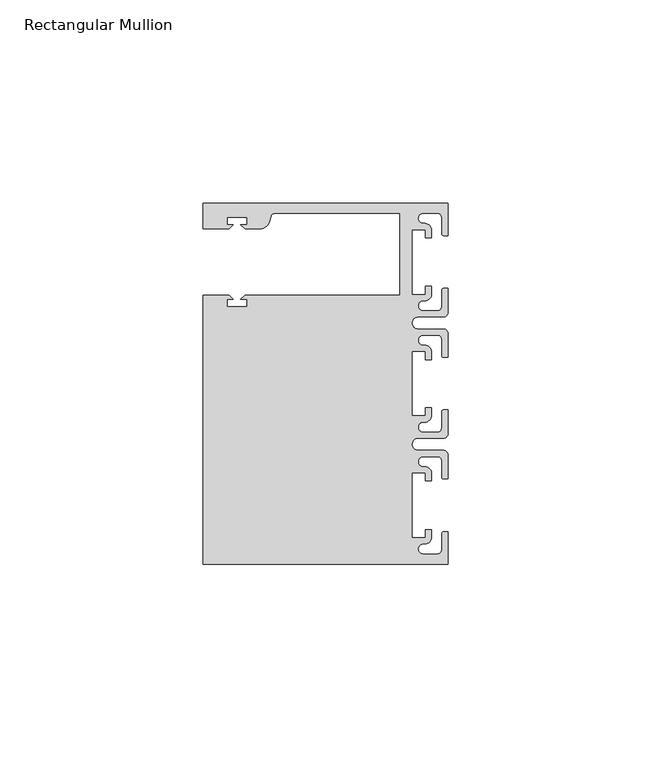
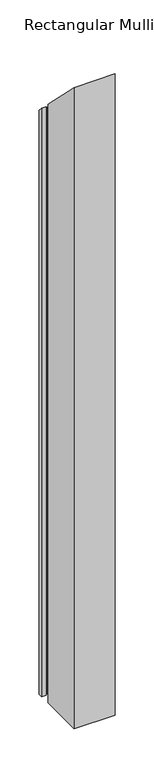
"""IFC4 building model written with IfcOpenShell, lengths in millimetres: member geometry, Rectangular Mullion."""

from ifc_helpers import new_model, si_unit, frame, origin, place, context, project, spatial, polyline, circle_curve, ellipse_curve, source, transform, mapped, element, save
from ifc_brep_helpers import plane_surface, cylinder_surface, revolved_surface, advanced_brep


def rectangular_mullion_2764931e(model_context):
    return source(origin(), model_context, "Body", "AdvancedBrep", [
        advanced_brep(
        [(0.0, 44.45, -952.5), (0.0, 36.4500318, -952.5), (-1.0, 36.4500318, -952.5), (-1.5, 36.9500318, -952.5), (-1.5, 40.95, -952.5), (-2.5, 41.95, -952.5), (-6.0499986, 41.95, -952.5), (-5.9027291, 39.4587029, -952.5), (-4.0000054, 37.7499972, -952.5), (-4.0000054, 35.9500318, -952.5), (-5.5, 35.9500318, -952.5), (-5.5, 37.9499972, -952.5), (-8.8585786, 37.9499972, -952.5), (-8.8585786, 21.9499956, -952.5), (-5.5, 21.9499956, -952.5), (-5.5, 23.9499611, -952.5), (-3.9999946, 23.9499611, -952.5), (-3.9999946, 22.0272972, -952.5), (-6.0499986, 20.4499956, -952.5), (-6.0499986, 17.9499929, -952.5), (-2.5, 17.9499929, -952.5), (-1.5, 18.9499929, -952.5), (-1.5, 22.9499611, -952.5), (-1.0, 23.4499611, -952.5), (0.0, 23.4499611, -952.5), (0.0, 17.4499929, -952.5), (-1.0, 16.4499929, -952.5), (-7.3, 16.4499929, -952.5), (-7.3046244, 13.45, -952.5), (-1.0, 13.45, -952.5), (0.0, 12.45, -952.5), (0.0, 6.4500354, -952.5), (-0.9999964, 6.4500354, -952.5), (-1.4999964, 6.9500354, -952.5), (-1.4999964, 10.95, -952.5), (-2.4999964, 11.95, -952.5), (-6.0499986, 11.95, -952.5), (-6.0499986, 9.4499972, -952.5), (-4.0000054, 7.7499972, -952.5), (-4.0000054, 5.9500318, -952.5), (-5.5, 5.9500318, -952.5), (-5.5, 7.9499972, -952.5), (-8.8, 7.9499972, -952.5), (-8.8, -7.9499972, -952.5), (-5.5, -7.9499972, -952.5), (-5.5, -5.9500318, -952.5), (-4.0000054, -5.9500318, -952.5), (-4.0000054, -7.7499972, -952.5), (-6.0499986, -9.4499972, -952.5), (-6.0499986, -11.95, -952.5), (-2.4999964, -11.95, -952.5), (-1.4999964, -10.95, -952.5), (-1.4999964, -6.9500354, -952.5), (-0.9999964, -6.4500354, -952.5), (0.0, -6.4500354, -952.5), (0.0, -12.45, -952.5), (-1.0, -13.45, -952.5), (-7.3046244, -13.45, -952.5), (-7.3, -16.4499929, -952.5), (-1.0, -16.4499929, -952.5), (0.0, -17.4499929, -952.5), (0.0, -23.4499611, -952.5), (-1.0, -23.4499611, -952.5), (-1.5, -22.9499611, -952.5), (-1.5, -18.9499929, -952.5), (-2.5, -17.9499929, -952.5), (-6.0499986, -17.9499929, -952.5), (-6.0499986, -20.4499956, -952.5), (-3.9999946, -22.0272972, -952.5), (-3.9999946, -23.9499611, -952.5), (-5.5, -23.9499611, -952.5), (-5.5, -21.9499956, -952.5), (-8.8585786, -21.9499956, -952.5), (-8.8585786, -37.9499972, -952.5), (-5.5, -37.9499972, -952.5), (-5.5, -35.9500318, -952.5), (-4.0000054, -35.9500318, -952.5), (-4.0000054, -37.7499972, -952.5), (-5.9027291, -39.4587029, -952.5), (-6.0499986, -41.95, -952.5), (-2.5, -41.95, -952.5), (-1.5, -40.95, -952.5), (-1.5, -36.9500318, -952.5), (-1.0, -36.4500318, -952.5), (0.0, -36.4500318, -952.5), (0.0, -44.45, -952.5), (-60.325, -44.45, -952.5), (-60.325, 21.749999, -952.5), (-53.8507562, 21.749999, -952.5), (-52.8507405, 20.7499834, -952.5), (-54.4250134, 20.7499834, -952.5), (-54.4250134, 18.949936, -952.5), (-49.4250186, 18.949936, -952.5), (-49.4250186, 20.7499834, -952.5), (-50.999256, 20.7499834, -952.5), (-49.9992434, 21.7499959, -952.5), (-11.8, 21.7499959, -952.5), (-11.8, 41.95, -952.5), (-42.6099329, 41.95, -952.5), (-43.5758588, 41.2088192, -952.5), (-43.8989707, 40.002949, -952.5), (-46.3137853, 38.1499966, -952.5), (-49.9992503, 38.1499966, -952.5), (-50.999256, 39.1500023, -952.5), (-49.4249831, 39.1500023, -952.5), (-49.4249831, 40.9498819, -952.5), (-54.4249778, 40.9498819, -952.5), (-54.4249778, 39.1500023, -952.5), (-52.8507405, 39.1500023, -952.5), (-53.8507531, 38.1499897, -952.5), (-60.3249977, 38.1499897, -952.5), (-60.3249977, 44.45, -952.5), (-60.3249977, 44.45, -44.45), (0.0, 44.45, -44.45), (-60.3249977, 38.1499897, -38.1499897), (-53.8507531, 38.1499897, -38.1499897), (-52.8507405, 39.1500023, -39.1500023), (-54.4249778, 39.1500023, -39.1500023), (-54.4249778, 40.9498819, -40.9498819), (-49.4249831, 40.9498819, -40.9498819), (-49.4249831, 39.1500023, -39.1500023), (-50.999256, 39.1500023, -39.1500023), (-49.9992503, 38.1499966, -38.1499966), (-46.3137853, 38.1499966, -38.1499966), (-43.8989707, 40.002949, -40.002949), (-43.5758588, 41.2088192, -41.2088192), (-42.6099329, 41.9500001, -41.9500001), (-11.8, 41.95, -41.95), (-11.8, 21.7499959, -21.7499959), (-49.9992434, 21.7499959, -21.7499959), (-50.999256, 20.7499834, -20.7499834), (-49.4250186, 20.7499834, -20.7499834), (-49.4250186, 18.949936, -18.949936), (-54.4250134, 18.949936, -18.949936), (-54.4250134, 20.7499834, -20.7499834), (-52.8507405, 20.7499834, -20.7499834), (-53.8507562, 21.749999, -21.749999), (-60.325, 21.749999, -21.749999), (-60.325, -44.45, 44.45), (0.0, -44.45, 44.45), (0.0, -36.4500318, 36.4500318), (-1.0, -36.4500318, 36.4500318), (-1.5, -36.9500318, 36.9500318), (-1.5, -40.95, 40.95), (-2.5, -41.95, 41.95), (-6.0499986, -41.95, 41.95), (-5.9027291, -39.4587029, 39.4587029), (-4.0000054, -37.7499972, 37.7499972), (-4.0000054, -35.9500318, 35.9500318), (-5.5, -35.9500318, 35.9500318), (-5.5, -37.9499972, 37.9499972), (-8.8585786, -37.9499972, 37.9499972), (-8.8585786, -21.9499956, 21.9499956), (-5.5, -21.9499956, 21.9499956), (-5.5, -23.9499611, 23.9499611), (-3.9999946, -23.9499611, 23.9499611), (-3.9999946, -22.0272972, 22.0272972), (-6.0499986, -20.4499956, 20.4499956), (-6.0499986, -17.9499929, 17.9499929), (-2.5, -17.9499929, 17.9499929), (-1.5, -18.9499929, 18.9499929), (-1.5, -22.9499611, 22.9499611), (-1.0, -23.4499611, 23.4499611), (0.0, -23.4499611, 23.4499611), (0.0, -17.4499929, 17.4499929), (-1.0, -16.4499929, 16.4499929), (-7.3, -16.4499929, 16.4499929), (-7.3046244, -13.45, 13.45), (-1.0, -13.45, 13.45), (0.0, -12.45, 12.45), (0.0, -6.4500354, 6.4500354), (-0.9999964, -6.4500354, 6.4500354), (-1.4999964, -6.9500354, 6.9500354), (-1.4999964, -10.95, 10.95), (-2.4999964, -11.95, 11.95), (-6.0499986, -11.95, 11.95), (-6.0499986, -9.4499972, 9.4499972), (-4.0000054, -7.7499972, 7.7499972), (-4.0000054, -5.9500318, 5.9500318), (-5.5, -5.9500318, 5.9500318), (-5.5, -7.9499972, 7.9499972), (-8.8, -7.9499972, 7.9499972), (-8.8, 7.9499972, -7.9499972), (-5.5, 7.9499972, -7.9499972), (-5.5, 5.9500318, -5.9500318), (-4.0000054, 5.9500318, -5.9500318), (-4.0000054, 7.7499972, -7.7499972), (-6.0499986, 9.4499972, -9.4499972), (-6.0499986, 11.95, -11.95), (-2.4999964, 11.95, -11.95), (-1.4999964, 10.95, -10.95), (-1.4999964, 6.9500354, -6.9500354), (-0.9999964, 6.4500354, -6.4500354), (0.0, 6.4500354, -6.4500354), (0.0, 12.45, -12.45), (-1.0, 13.45, -13.45), (-7.3046244, 13.45, -13.45), (-7.3, 16.4499929, -16.4499929), (-1.0, 16.4499929, -16.4499929), (0.0, 17.4499929, -17.4499929), (0.0, 23.4499611, -23.4499611), (-1.0, 23.4499611, -23.4499611), (-1.5, 22.9499611, -22.9499611), (-1.5, 18.9499929, -18.9499929), (-2.5, 17.9499929, -17.9499929), (-6.0499986, 17.9499929, -17.9499929), (-6.0499986, 20.4499956, -20.4499956), (-3.9999946, 22.0272972, -22.0272972), (-3.9999946, 23.9499611, -23.9499611), (-5.5, 23.9499611, -23.9499611), (-5.5, 21.9499956, -21.9499956), (-8.8585786, 21.9499956, -21.9499956), (-8.8585786, 37.9499972, -37.9499972), (-5.5, 37.9499972, -37.9499972), (-5.5, 35.9500318, -35.9500318), (-4.0000054, 35.9500318, -35.9500318), (-4.0000054, 37.7499972, -37.7499972), (-5.9027291, 39.4587029, -39.4587029), (-6.0499986, 41.95, -41.95), (-2.5, 41.95, -41.95), (-1.5, 40.95, -40.95), (-1.5, 36.9500318, -36.9500318), (-1.0, 36.4500318, -36.4500318), (0.0, 36.4500318, -36.4500318)],
        [
            (0, 1),
            (1, 2),
            (2, 3, circle_curve(frame((-1.0, 36.9500318, -952.5), z_axis=(0.0, 0.0, -1.0), x_axis=(0.0, -1.0, 0.0)), 0.5)),
            (3, 4),
            (4, 5, circle_curve(frame((-2.5, 40.95, -952.5), z_axis=(0.0, 0.0, 1.0), x_axis=(0.0, -1.0, 0.0)), 1.0)),
            (5, 6),
            (6, 7, circle_curve(frame((-6.0499986, 40.6999986, -952.5), z_axis=(0.0, 0.0, 1.0), x_axis=(0.0, -1.0, 0.0)), 1.2500014)),
            (7, 8, circle_curve(frame((-5.7186029, 37.7499972, -952.5), z_axis=(0.0, 0.0, -1.0), x_axis=(1.0, 0.0, 0.0)), 1.7185975)),
            (8, 9),
            (9, 10),
            (10, 11),
            (11, 12),
            (12, 13),
            (13, 14),
            (14, 15),
            (15, 16),
            (16, 17),
            (17, 18, circle_curve(frame((-5.7543344, 22.1865598, -952.5), z_axis=(0.0, 0.0, -1.0), x_axis=(1.0, 0.0, 0.0)), 1.761554)),
            (18, 19, circle_curve(frame((-6.0499986, 19.1999942, -952.5), z_axis=(0.0, 0.0, 1.0), x_axis=(0.0, -1.0, 0.0)), 1.2500014)),
            (19, 20),
            (20, 21, circle_curve(frame((-2.5, 18.9499929, -952.5), z_axis=(0.0, 0.0, 1.0), x_axis=(0.0, -1.0, 0.0)), 1.0)),
            (21, 22),
            (22, 23, circle_curve(frame((-1.0, 22.9499611, -952.5), z_axis=(0.0, 0.0, -1.0), x_axis=(0.0, -1.0, 0.0)), 0.5)),
            (23, 24),
            (24, 25),
            (25, 26, circle_curve(frame((-1.0, 17.4499929, -952.5), z_axis=(0.0, 0.0, -1.0), x_axis=(0.0, -1.0, 0.0)), 1.0)),
            (26, 27),
            (27, 28, circle_curve(frame((-7.3, 14.9499929, -952.5), z_axis=(0.0, 0.0, 1.0), x_axis=(0.0, -1.0, 0.0)), 1.5)),
            (28, 29),
            (29, 30, circle_curve(frame((-1.0, 12.45, -952.5), z_axis=(0.0, 0.0, -1.0), x_axis=(0.0, -1.0, 0.0)), 1.0)),
            (30, 31),
            (31, 32),
            (32, 33, circle_curve(frame((-0.9999964, 6.9500354, -952.5), z_axis=(0.0, 0.0, -1.0), x_axis=(0.0, -1.0, 0.0)), 0.5)),
            (33, 34),
            (34, 35, circle_curve(frame((-2.4999964, 10.95, -952.5), z_axis=(0.0, 0.0, 1.0), x_axis=(0.0, -1.0, 0.0)), 1.0)),
            (35, 36),
            (36, 37, circle_curve(frame((-6.0499986, 10.6999986, -952.5), z_axis=(0.0, 0.0, 1.0), x_axis=(0.0, -1.0, 0.0)), 1.2500014)),
            (37, 38, circle_curve(frame((-5.7298824, 7.7499972, -952.5), z_axis=(0.0, 0.0, -1.0), x_axis=(1.0, 0.0, 0.0)), 1.729877)),
            (38, 39),
            (39, 40),
            (40, 41),
            (41, 42),
            (42, 43),
            (43, 44),
            (44, 45),
            (45, 46),
            (46, 47),
            (47, 48, circle_curve(frame((-5.7298824, -7.7499972, -952.5), z_axis=(0.0, 0.0, -1.0), x_axis=(1.0, 0.0, 0.0)), 1.729877)),
            (48, 49, circle_curve(frame((-6.0499986, -10.6999986, -952.5), z_axis=(0.0, 0.0, 1.0), x_axis=(0.0, 1.0, 0.0)), 1.2500014)),
            (49, 50),
            (50, 51, circle_curve(frame((-2.4999964, -10.95, -952.5), z_axis=(0.0, 0.0, 1.0), x_axis=(0.0, 1.0, 0.0)), 1.0)),
            (51, 52),
            (52, 53, circle_curve(frame((-0.9999964, -6.9500354, -952.5), z_axis=(0.0, 0.0, -1.0), x_axis=(0.0, 1.0, 0.0)), 0.5)),
            (53, 54),
            (54, 55),
            (55, 56, circle_curve(frame((-1.0, -12.45, -952.5), z_axis=(0.0, 0.0, -1.0), x_axis=(0.0, 1.0, 0.0)), 1.0)),
            (56, 57),
            (57, 58, circle_curve(frame((-7.3, -14.9499929, -952.5), z_axis=(0.0, 0.0, 1.0), x_axis=(0.0, 1.0, 0.0)), 1.5)),
            (58, 59),
            (59, 60, circle_curve(frame((-1.0, -17.4499929, -952.5), z_axis=(0.0, 0.0, -1.0), x_axis=(0.0, 1.0, 0.0)), 1.0)),
            (60, 61),
            (61, 62),
            (62, 63, circle_curve(frame((-1.0, -22.9499611, -952.5), z_axis=(0.0, 0.0, -1.0), x_axis=(0.0, 1.0, 0.0)), 0.5)),
            (63, 64),
            (64, 65, circle_curve(frame((-2.5, -18.9499929, -952.5), z_axis=(0.0, 0.0, 1.0), x_axis=(0.0, 1.0, 0.0)), 1.0)),
            (65, 66),
            (66, 67, circle_curve(frame((-6.0499986, -19.1999942, -952.5), z_axis=(0.0, 0.0, 1.0), x_axis=(0.0, 1.0, 0.0)), 1.2500014)),
            (67, 68, circle_curve(frame((-5.7543344, -22.1865598, -952.5), z_axis=(0.0, 0.0, -1.0), x_axis=(1.0, 0.0, 0.0)), 1.761554)),
            (68, 69),
            (69, 70),
            (70, 71),
            (71, 72),
            (72, 73),
            (73, 74),
            (74, 75),
            (75, 76),
            (76, 77),
            (77, 78, circle_curve(frame((-5.7186029, -37.7499972, -952.5), z_axis=(0.0, 0.0, -1.0), x_axis=(1.0, 0.0, 0.0)), 1.7185975)),
            (78, 79, circle_curve(frame((-6.0499986, -40.6999986, -952.5), z_axis=(0.0, 0.0, 1.0), x_axis=(0.0, 1.0, 0.0)), 1.2500014)),
            (79, 80),
            (80, 81, circle_curve(frame((-2.5, -40.95, -952.5), z_axis=(0.0, 0.0, 1.0), x_axis=(0.0, 1.0, 0.0)), 1.0)),
            (81, 82),
            (82, 83, circle_curve(frame((-1.0, -36.9500318, -952.5), z_axis=(0.0, 0.0, -1.0), x_axis=(0.0, 1.0, 0.0)), 0.5)),
            (83, 84),
            (84, 85),
            (85, 86),
            (86, 87),
            (87, 88),
            (88, 89),
            (89, 90),
            (90, 91),
            (91, 92),
            (92, 93),
            (93, 94),
            (94, 95),
            (95, 96),
            (96, 97),
            (97, 98),
            (98, 99, circle_curve(frame((-42.6099329, 40.9500001, -952.5), z_axis=(0.0, 0.0, 1.0), x_axis=(0.0, -1.0, 0.0)), 1.0)),
            (99, 100),
            (100, 101, circle_curve(frame((-46.3137853, 40.6499966, -952.5), z_axis=(0.0, 0.0, -1.0), x_axis=(0.0, -1.0, 0.0)), 2.5)),
            (101, 102),
            (102, 103),
            (103, 104),
            (104, 105),
            (105, 106),
            (106, 107),
            (107, 108),
            (108, 109),
            (109, 110),
            (110, 111),
            (111, 0),
            (112, 113),
            (113, 0),
            (111, 112),
            (114, 112),
            (110, 114),
            (115, 114),
            (109, 115),
            (116, 115),
            (108, 116),
            (117, 116),
            (107, 117),
            (118, 117),
            (106, 118),
            (119, 118),
            (105, 119),
            (120, 119),
            (104, 120),
            (121, 120),
            (103, 121),
            (122, 121),
            (102, 122),
            (123, 122),
            (101, 123),
            (124, 123, ellipse_curve(frame((-46.3137853, 40.6499966, -40.6499966), z_axis=(0.0, -0.7071067811865475, -0.7071067811865476), x_axis=(0.0, -0.7071067811865476, 0.7071067811865475)), 3.5355339, 2.5)),
            (100, 124),
            (125, 124),
            (99, 125),
            (126, 125, ellipse_curve(frame((-42.6099329, 40.9500001, -40.9500001), z_axis=(0.0, 0.7071067811865475, 0.7071067811865476), x_axis=(0.0, 0.7071067811865476, -0.7071067811865475)), 1.4142136, 1.0)),
            (98, 126),
            (127, 126),
            (97, 127),
            (128, 127),
            (96, 128),
            (129, 128),
            (95, 129),
            (130, 129),
            (94, 130),
            (131, 130),
            (93, 131),
            (132, 131),
            (92, 132),
            (133, 132),
            (91, 133),
            (134, 133),
            (90, 134),
            (135, 134),
            (89, 135),
            (136, 135),
            (88, 136),
            (137, 136),
            (87, 137),
            (138, 137),
            (86, 138),
            (139, 138),
            (85, 139),
            (140, 139),
            (84, 140),
            (141, 140),
            (83, 141),
            (142, 141, ellipse_curve(frame((-1.0, -36.9500318, 36.9500318), z_axis=(0.0, -0.7071067811865475, -0.7071067811865476), x_axis=(0.0, -0.7071067811865476, 0.7071067811865475)), 0.7071068, 0.5)),
            (82, 142),
            (143, 142),
            (81, 143),
            (144, 143, ellipse_curve(frame((-2.5, -40.95, 40.95), z_axis=(0.0, 0.7071067811865475, 0.7071067811865476), x_axis=(0.0, 0.7071067811865476, -0.7071067811865475)), 1.4142136, 1.0)),
            (80, 144),
            (145, 144),
            (79, 145),
            (146, 145, ellipse_curve(frame((-6.0499986, -40.6999986, 40.6999986), z_axis=(0.0, 0.7071067811865475, 0.7071067811865476), x_axis=(0.0, 0.7071067811865476, -0.7071067811865475)), 1.7677689, 1.2500014)),
            (78, 146),
            (147, 146, ellipse_curve(frame((-5.7186029, -37.7499972, 37.7499972), z_axis=(0.0, -0.7071067811865475, -0.7071067811865476), x_axis=(0.0, -0.7071067811865476, 0.7071067811865475)), 2.4304639, 1.7185975)),
            (77, 147),
            (148, 147),
            (76, 148),
            (149, 148),
            (75, 149),
            (150, 149),
            (74, 150),
            (151, 150),
            (73, 151),
            (152, 151),
            (72, 152),
            (153, 152),
            (71, 153),
            (154, 153),
            (70, 154),
            (155, 154),
            (69, 155),
            (156, 155),
            (68, 156),
            (157, 156, ellipse_curve(frame((-5.7543344, -22.1865598, 22.1865598), z_axis=(0.0, -0.7071067811865475, -0.7071067811865476), x_axis=(0.0, -0.7071067811865476, 0.7071067811865475)), 2.4912135, 1.761554)),
            (67, 157),
            (158, 157, ellipse_curve(frame((-6.0499986, -19.1999942, 19.1999942), z_axis=(0.0, 0.7071067811865475, 0.7071067811865476), x_axis=(0.0, 0.7071067811865476, -0.7071067811865475)), 1.7677689, 1.2500014)),
            (66, 158),
            (159, 158),
            (65, 159),
            (160, 159, ellipse_curve(frame((-2.5, -18.9499929, 18.9499929), z_axis=(0.0, 0.7071067811865475, 0.7071067811865476), x_axis=(0.0, 0.7071067811865476, -0.7071067811865475)), 1.4142136, 1.0)),
            (64, 160),
            (161, 160),
            (63, 161),
            (162, 161, ellipse_curve(frame((-1.0, -22.9499611, 22.9499611), z_axis=(0.0, -0.7071067811865475, -0.7071067811865476), x_axis=(0.0, -0.7071067811865476, 0.7071067811865475)), 0.7071068, 0.5)),
            (62, 162),
            (163, 162),
            (61, 163),
            (164, 163),
            (60, 164),
            (165, 164, ellipse_curve(frame((-1.0, -17.4499929, 17.4499929), z_axis=(0.0, -0.7071067811865475, -0.7071067811865476), x_axis=(0.0, -0.7071067811865476, 0.7071067811865475)), 1.4142136, 1.0)),
            (59, 165),
            (166, 165),
            (58, 166),
            (167, 166, ellipse_curve(frame((-7.3, -14.9499929, 14.9499929), z_axis=(0.0, 0.7071067811865475, 0.7071067811865476), x_axis=(0.0, 0.7071067811865476, -0.7071067811865475)), 2.1213203, 1.5)),
            (57, 167),
            (168, 167),
            (56, 168),
            (169, 168, ellipse_curve(frame((-1.0, -12.45, 12.45), z_axis=(0.0, -0.7071067811865475, -0.7071067811865476), x_axis=(0.0, -0.7071067811865476, 0.7071067811865475)), 1.4142136, 1.0)),
            (55, 169),
            (170, 169),
            (54, 170),
            (171, 170),
            (53, 171),
            (172, 171, ellipse_curve(frame((-0.9999964, -6.9500354, 6.9500354), z_axis=(0.0, -0.7071067811865475, -0.7071067811865476), x_axis=(0.0, -0.7071067811865476, 0.7071067811865475)), 0.7071068, 0.5)),
            (52, 172),
            (173, 172),
            (51, 173),
            (174, 173, ellipse_curve(frame((-2.4999964, -10.95, 10.95), z_axis=(0.0, 0.7071067811865475, 0.7071067811865476), x_axis=(0.0, 0.7071067811865476, -0.7071067811865475)), 1.4142136, 1.0)),
            (50, 174),
            (175, 174),
            (49, 175),
            (176, 175, ellipse_curve(frame((-6.0499986, -10.6999986, 10.6999986), z_axis=(0.0, 0.7071067811865475, 0.7071067811865476), x_axis=(0.0, 0.7071067811865476, -0.7071067811865475)), 1.7677689, 1.2500014)),
            (48, 176),
            (177, 176, ellipse_curve(frame((-5.7298824, -7.7499972, 7.7499972), z_axis=(0.0, -0.7071067811865475, -0.7071067811865476), x_axis=(0.0, -0.7071067811865476, 0.7071067811865475)), 2.4464155, 1.729877)),
            (47, 177),
            (178, 177),
            (46, 178),
            (179, 178),
            (45, 179),
            (180, 179),
            (44, 180),
            (181, 180),
            (43, 181),
            (182, 181),
            (42, 182),
            (183, 182),
            (41, 183),
            (184, 183),
            (40, 184),
            (185, 184),
            (39, 185),
            (186, 185),
            (38, 186),
            (187, 186, ellipse_curve(frame((-5.7298824, 7.7499972, -7.7499972), z_axis=(0.0, -0.7071067811865475, -0.7071067811865476), x_axis=(0.0, -0.7071067811865476, 0.7071067811865475)), 2.4464155, 1.729877)),
            (37, 187),
            (188, 187, ellipse_curve(frame((-6.0499986, 10.6999986, -10.6999986), z_axis=(0.0, 0.7071067811865475, 0.7071067811865476), x_axis=(0.0, 0.7071067811865476, -0.7071067811865475)), 1.7677689, 1.2500014)),
            (36, 188),
            (189, 188),
            (35, 189),
            (190, 189, ellipse_curve(frame((-2.4999964, 10.95, -10.95), z_axis=(0.0, 0.7071067811865475, 0.7071067811865476), x_axis=(0.0, 0.7071067811865476, -0.7071067811865475)), 1.4142136, 1.0)),
            (34, 190),
            (191, 190),
            (33, 191),
            (192, 191, ellipse_curve(frame((-0.9999964, 6.9500354, -6.9500354), z_axis=(0.0, -0.7071067811865475, -0.7071067811865476), x_axis=(0.0, -0.7071067811865476, 0.7071067811865475)), 0.7071068, 0.5)),
            (32, 192),
            (193, 192),
            (31, 193),
            (194, 193),
            (30, 194),
            (195, 194, ellipse_curve(frame((-1.0, 12.45, -12.45), z_axis=(0.0, -0.7071067811865475, -0.7071067811865476), x_axis=(0.0, -0.7071067811865476, 0.7071067811865475)), 1.4142136, 1.0)),
            (29, 195),
            (196, 195),
            (28, 196),
            (197, 196, ellipse_curve(frame((-7.3, 14.9499929, -14.9499929), z_axis=(0.0, 0.7071067811865475, 0.7071067811865476), x_axis=(0.0, 0.7071067811865476, -0.7071067811865475)), 2.1213203, 1.5)),
            (27, 197),
            (198, 197),
            (26, 198),
            (199, 198, ellipse_curve(frame((-1.0, 17.4499929, -17.4499929), z_axis=(0.0, -0.7071067811865475, -0.7071067811865476), x_axis=(0.0, -0.7071067811865476, 0.7071067811865475)), 1.4142136, 1.0)),
            (25, 199),
            (200, 199),
            (24, 200),
            (201, 200),
            (23, 201),
            (202, 201, ellipse_curve(frame((-1.0, 22.9499611, -22.9499611), z_axis=(0.0, -0.7071067811865475, -0.7071067811865476), x_axis=(0.0, -0.7071067811865476, 0.7071067811865475)), 0.7071068, 0.5)),
            (22, 202),
            (203, 202),
            (21, 203),
            (204, 203, ellipse_curve(frame((-2.5, 18.9499929, -18.9499929), z_axis=(0.0, 0.7071067811865475, 0.7071067811865476), x_axis=(0.0, 0.7071067811865476, -0.7071067811865475)), 1.4142136, 1.0)),
            (20, 204),
            (205, 204),
            (19, 205),
            (206, 205, ellipse_curve(frame((-6.0499986, 19.1999942, -19.1999942), z_axis=(0.0, 0.7071067811865475, 0.7071067811865476), x_axis=(0.0, 0.7071067811865476, -0.7071067811865475)), 1.7677689, 1.2500014)),
            (18, 206),
            (207, 206, ellipse_curve(frame((-5.7543344, 22.1865598, -22.1865598), z_axis=(0.0, -0.7071067811865475, -0.7071067811865476), x_axis=(0.0, -0.7071067811865476, 0.7071067811865475)), 2.4912135, 1.761554)),
            (17, 207),
            (208, 207),
            (16, 208),
            (209, 208),
            (15, 209),
            (210, 209),
            (14, 210),
            (211, 210),
            (13, 211),
            (212, 211),
            (12, 212),
            (213, 212),
            (11, 213),
            (214, 213),
            (10, 214),
            (215, 214),
            (9, 215),
            (216, 215),
            (8, 216),
            (217, 216, ellipse_curve(frame((-5.7186029, 37.7499972, -37.7499972), z_axis=(0.0, -0.7071067811865475, -0.7071067811865476), x_axis=(0.0, -0.7071067811865476, 0.7071067811865475)), 2.4304639, 1.7185975)),
            (7, 217),
            (218, 217, ellipse_curve(frame((-6.0499986, 40.6999986, -40.6999986), z_axis=(0.0, 0.7071067811865475, 0.7071067811865476), x_axis=(0.0, 0.7071067811865476, -0.7071067811865475)), 1.7677689, 1.2500014)),
            (6, 218),
            (219, 218),
            (5, 219),
            (220, 219, ellipse_curve(frame((-2.5, 40.95, -40.95), z_axis=(0.0, 0.7071067811865475, 0.7071067811865476), x_axis=(0.0, 0.7071067811865476, -0.7071067811865475)), 1.4142136, 1.0)),
            (4, 220),
            (221, 220),
            (3, 221),
            (222, 221, ellipse_curve(frame((-1.0, 36.9500318, -36.9500318), z_axis=(0.0, -0.7071067811865475, -0.7071067811865476), x_axis=(0.0, -0.7071067811865476, 0.7071067811865475)), 0.7071068, 0.5)),
            (2, 222),
            (223, 222),
            (1, 223),
            (113, 223),
        ],
        [
            plane_surface(frame((0.0, -74.9326906, -952.5), z_axis=(0.0, 0.0, -1.0), x_axis=(-1.0, 0.0, 0.0))),
            plane_surface(frame((0.0, 44.45, 0.0), z_axis=(0.0, 1.0, 0.0), x_axis=(0.0, 0.0, -1.0))),
            plane_surface(frame((-60.3249977, 44.45, 0.0), z_axis=(-1.0, 0.0, 0.0), x_axis=(0.0, 0.0, -1.0))),
            plane_surface(frame((-60.3249977, 38.1499897, 0.0), z_axis=(0.0, -1.0, 0.0), x_axis=(0.0, 0.0, -1.0))),
            plane_surface(frame((-53.8507531, 38.1499897, 0.0), z_axis=(0.7071067811865492, -0.7071067811865459, 0.0), x_axis=(0.0, 0.0, -1.0))),
            plane_surface(frame((-52.8507405, 39.1500023, 0.0), z_axis=(0.0, 1.0, 0.0), x_axis=(0.0, 0.0, -1.0))),
            plane_surface(frame((-54.4249778, 39.1500023, 0.0), z_axis=(1.0, 0.0, 0.0), x_axis=(0.0, 0.0, -1.0))),
            plane_surface(frame((-54.4249778, 40.9498819, 0.0), z_axis=(0.0, -1.0, 0.0), x_axis=(0.0, 0.0, -1.0))),
            plane_surface(frame((-49.4249831, 40.9498819, 0.0), z_axis=(-1.0, 0.0, 0.0), x_axis=(0.0, 0.0, -1.0))),
            plane_surface(frame((-49.4249831, 39.1500023, 0.0), z_axis=(0.0, 1.0, 0.0), x_axis=(0.0, 0.0, -1.0))),
            plane_surface(frame((-50.999256, 39.1500023, 0.0), z_axis=(-0.7071067811865469, -0.7071067811865481, 0.0), x_axis=(0.0, 0.0, -1.0))),
            plane_surface(frame((-49.9992503, 38.1499966, 0.0), z_axis=(0.0, -1.0, 0.0), x_axis=(0.0, 0.0, -1.0))),
            cylinder_surface(frame((-46.3137853, 40.6499966, 0.0), z_axis=(0.0, 0.0, 1.0), x_axis=(0.0, -1.0, 0.0)), 2.5),
            plane_surface(frame((-43.8989707, 40.002949, 0.0), z_axis=(0.965925826289163, -0.2588190451021675, 0.0), x_axis=(0.0, 0.0, -1.0))),
            revolved_surface(polyline([(-42.6099329, 39.9500001, -952.5), (-42.6099329, 39.9500001, -39.95000007339376)]), (-42.6099329, 40.9500001, 0.0), (0.0, 0.0, -1.0)),
            plane_surface(frame((-42.6099329, 41.95, 0.0), z_axis=(0.0, -1.0, 0.0), x_axis=(0.0, 0.0, -1.0))),
            plane_surface(frame((-11.8, 41.95, 0.0), z_axis=(-1.0, 0.0, 0.0), x_axis=(0.0, 0.0, -1.0))),
            plane_surface(frame((-11.8, 21.7499959, 0.0), z_axis=(0.0, 1.0, 0.0), x_axis=(0.0, 0.0, -1.0))),
            plane_surface(frame((-49.9992434, 21.7499959, 0.0), z_axis=(-0.7071067811865492, 0.7071067811865459, 0.0), x_axis=(0.0, 0.0, -1.0))),
            plane_surface(frame((-50.999256, 20.7499834, 0.0), z_axis=(0.0, -1.0, 0.0), x_axis=(0.0, 0.0, -1.0))),
            plane_surface(frame((-49.4250186, 20.7499834, 0.0), z_axis=(-1.0, 0.0, 0.0), x_axis=(0.0, 0.0, -1.0))),
            plane_surface(frame((-49.4250186, 18.949936, 0.0), z_axis=(0.0, 1.0, 0.0), x_axis=(0.0, 0.0, -1.0))),
            plane_surface(frame((-54.4250134, 18.949936, 0.0), z_axis=(1.0, 0.0, 0.0), x_axis=(0.0, 0.0, -1.0))),
            plane_surface(frame((-54.4250134, 20.7499834, 0.0), z_axis=(0.0, -1.0, 0.0), x_axis=(0.0, 0.0, -1.0))),
            plane_surface(frame((-52.8507405, 20.7499834, 0.0), z_axis=(0.7071067811865472, 0.7071067811865479, 0.0), x_axis=(0.0, 0.0, -1.0))),
            plane_surface(frame((-53.8507562, 21.749999, 0.0), z_axis=(0.0, 1.0, 0.0), x_axis=(0.0, 0.0, -1.0))),
            plane_surface(frame((-60.325, 21.749999, 0.0), z_axis=(-1.0, 0.0, 0.0), x_axis=(0.0, 0.0, -1.0))),
            plane_surface(frame((-60.325, -44.45, 0.0), z_axis=(0.0, -1.0, 0.0), x_axis=(0.0, 0.0, -1.0))),
            plane_surface(frame((0.0, -44.45, 0.0), z_axis=(1.0, 0.0, 0.0), x_axis=(0.0, 0.0, -1.0))),
            plane_surface(frame((0.0, -36.4500318, 0.0), z_axis=(0.0, 1.0, 0.0), x_axis=(0.0, 0.0, -1.0))),
            cylinder_surface(frame((-1.0, -36.9500318, 0.0), z_axis=(0.0, 0.0, 1.0), x_axis=(0.0, 1.0, 0.0)), 0.5),
            plane_surface(frame((-1.5, -36.9500318, 0.0), z_axis=(-1.0, 0.0, 0.0), x_axis=(0.0, 0.0, -1.0))),
            revolved_surface(polyline([(-2.5, -39.95, -952.5), (-2.5, -39.95, 41.95000002660624)]), (-2.5, -40.95, 0.0), (0.0, 0.0, -1.0)),
            plane_surface(frame((-2.5, -41.95, 0.0), z_axis=(0.0, 1.0, 0.0), x_axis=(0.0, 0.0, -1.0))),
            revolved_surface(polyline([(-6.0499986, -39.4499972, -952.5), (-6.0499986, -39.4499972, 41.95)]), (-6.0499986, -40.6999986, 0.0), (0.0, 0.0, -1.0)),
            cylinder_surface(frame((-5.7186029, -37.7499972, 0.0), z_axis=(0.0, 0.0, 1.0), x_axis=(1.0, 0.0, 0.0)), 1.7185975),
            plane_surface(frame((-4.0000054, -37.7499972, 0.0), z_axis=(1.0, 0.0, 0.0), x_axis=(0.0, 0.0, -1.0))),
            plane_surface(frame((-4.0000054, -35.9500318, 0.0), z_axis=(0.0, 1.0, 0.0), x_axis=(0.0, 0.0, -1.0))),
            plane_surface(frame((-5.5, -35.9500318, 0.0), z_axis=(-1.0, 0.0, 0.0), x_axis=(0.0, 0.0, -1.0))),
            plane_surface(frame((-5.5, -37.9499972, 0.0), z_axis=(0.0, 1.0, 0.0), x_axis=(0.0, 0.0, -1.0))),
            plane_surface(frame((-8.8585786, -37.9499972, 0.0), z_axis=(1.0, 0.0, 0.0), x_axis=(0.0, 0.0, -1.0))),
            plane_surface(frame((-8.8585786, -21.9499956, 0.0), z_axis=(0.0, -1.0, 0.0), x_axis=(0.0, 0.0, -1.0))),
            plane_surface(frame((-5.5, -21.9499956, 0.0), z_axis=(-1.0, 0.0, 0.0), x_axis=(0.0, 0.0, -1.0))),
            plane_surface(frame((-5.5, -23.9499611, 0.0), z_axis=(0.0, -1.0, 0.0), x_axis=(0.0, 0.0, -1.0))),
            plane_surface(frame((-3.9999946, -23.9499611, 0.0), z_axis=(1.0, 0.0, 0.0), x_axis=(0.0, 0.0, -1.0))),
            cylinder_surface(frame((-5.7543344, -22.1865598, 0.0), z_axis=(0.0, 0.0, 1.0), x_axis=(1.0, 0.0, 0.0)), 1.761554),
            revolved_surface(polyline([(-6.0499986, -17.9499928, -952.5), (-6.0499986, -17.9499928, 20.4499956)]), (-6.0499986, -19.1999942, 0.0), (0.0, 0.0, -1.0)),
            plane_surface(frame((-6.0499986, -17.9499929, 0.0), z_axis=(0.0, -1.0, 0.0), x_axis=(0.0, 0.0, -1.0))),
            revolved_surface(polyline([(-2.5, -17.9499929, -952.5), (-2.5, -17.9499929, 19.949992926606242)]), (-2.5, -18.9499929, 0.0), (0.0, 0.0, -1.0)),
            plane_surface(frame((-1.5, -18.9499929, 0.0), z_axis=(-1.0, 0.0, 0.0), x_axis=(0.0, 0.0, -1.0))),
            cylinder_surface(frame((-1.0, -22.9499611, 0.0), z_axis=(0.0, 0.0, 1.0), x_axis=(0.0, 1.0, 0.0)), 0.5),
            plane_surface(frame((-1.0, -23.4499611, 0.0), z_axis=(0.0, -1.0, 0.0), x_axis=(0.0, 0.0, -1.0))),
            plane_surface(frame((0.0, -23.4499611, 0.0), z_axis=(1.0, 0.0, 0.0), x_axis=(0.0, 0.0, -1.0))),
            cylinder_surface(frame((-1.0, -17.4499929, 0.0), z_axis=(0.0, 0.0, 1.0), x_axis=(0.0, 1.0, 0.0)), 1.0),
            plane_surface(frame((-1.0, -16.4499929, 0.0), z_axis=(0.0, 1.0, 0.0), x_axis=(0.0, 0.0, -1.0))),
            revolved_surface(polyline([(-7.3, -13.4499929, -952.5), (-7.3, -13.4499929, 16.4499929)]), (-7.3, -14.9499929, 0.0), (0.0, 0.0, -1.0)),
            plane_surface(frame((-7.3046244, -13.45, 0.0), z_axis=(0.0, -1.0, 0.0), x_axis=(0.0, 0.0, -1.0))),
            cylinder_surface(frame((-1.0, -12.45, 0.0), z_axis=(0.0, 0.0, 1.0), x_axis=(0.0, 1.0, 0.0)), 1.0),
            plane_surface(frame((0.0, -12.45, 0.0), z_axis=(1.0, 0.0, 0.0), x_axis=(0.0, 0.0, -1.0))),
            plane_surface(frame((0.0, -6.4500354, 0.0), z_axis=(0.0, 1.0, 0.0), x_axis=(0.0, 0.0, -1.0))),
            cylinder_surface(frame((-0.9999964, -6.9500354, 0.0), z_axis=(0.0, 0.0, 1.0), x_axis=(0.0, 1.0, 0.0)), 0.5),
            plane_surface(frame((-1.4999964, -6.9500354, 0.0), z_axis=(-1.0, 0.0, 0.0), x_axis=(0.0, 0.0, -1.0))),
            revolved_surface(polyline([(-2.4999964, -9.95, -952.5), (-2.4999964, -9.95, 11.950000026606238)]), (-2.4999964, -10.95, 0.0), (0.0, 0.0, -1.0)),
            plane_surface(frame((-2.4999964, -11.95, 0.0), z_axis=(0.0, 1.0, 0.0), x_axis=(0.0, 0.0, -1.0))),
            revolved_surface(polyline([(-6.0499986, -9.4499972, -952.5), (-6.0499986, -9.4499972, 11.95)]), (-6.0499986, -10.6999986, 0.0), (0.0, 0.0, -1.0)),
            cylinder_surface(frame((-5.7298824, -7.7499972, 0.0), z_axis=(0.0, 0.0, 1.0), x_axis=(1.0, 0.0, 0.0)), 1.729877),
            plane_surface(frame((-4.0000054, -7.7499972, 0.0), z_axis=(1.0, 0.0, 0.0), x_axis=(0.0, 0.0, -1.0))),
            plane_surface(frame((-4.0000054, -5.9500318, 0.0), z_axis=(0.0, 1.0, 0.0), x_axis=(0.0, 0.0, -1.0))),
            plane_surface(frame((-5.5, -5.9500318, 0.0), z_axis=(-1.0, 0.0, 0.0), x_axis=(0.0, 0.0, -1.0))),
            plane_surface(frame((-5.5, -7.9499972, 0.0), z_axis=(0.0, 1.0, 0.0), x_axis=(0.0, 0.0, -1.0))),
            plane_surface(frame((-8.8, -7.9499972, 0.0), z_axis=(1.0, 0.0, 0.0), x_axis=(0.0, 0.0, -1.0))),
            plane_surface(frame((-8.8, 7.9499972, 0.0), z_axis=(0.0, -1.0, 0.0), x_axis=(0.0, 0.0, -1.0))),
            plane_surface(frame((-5.5, 7.9499972, 0.0), z_axis=(-1.0, 0.0, 0.0), x_axis=(0.0, 0.0, -1.0))),
            plane_surface(frame((-5.5, 5.9500318, 0.0), z_axis=(0.0, -1.0, 0.0), x_axis=(0.0, 0.0, -1.0))),
            plane_surface(frame((-4.0000054, 5.9500318, 0.0), z_axis=(1.0, 0.0, 0.0), x_axis=(0.0, 0.0, -1.0))),
            cylinder_surface(frame((-5.7298824, 7.7499972, 0.0), z_axis=(0.0, 0.0, 1.0), x_axis=(1.0, 0.0, 0.0)), 1.729877),
            revolved_surface(polyline([(-6.0499986, 9.4499972, -952.5), (-6.0499986, 9.4499972, -9.4499972)]), (-6.0499986, 10.6999986, 0.0), (0.0, 0.0, -1.0)),
            plane_surface(frame((-6.0499986, 11.95, 0.0), z_axis=(0.0, -1.0, 0.0), x_axis=(0.0, 0.0, -1.0))),
            revolved_surface(polyline([(-2.4999964, 9.95, -952.5), (-2.4999964, 9.95, -9.94999997339376)]), (-2.4999964, 10.95, 0.0), (0.0, 0.0, -1.0)),
            plane_surface(frame((-1.4999964, 10.95, 0.0), z_axis=(-1.0, 0.0, 0.0), x_axis=(0.0, 0.0, -1.0))),
            cylinder_surface(frame((-0.9999964, 6.9500354, 0.0), z_axis=(0.0, 0.0, 1.0), x_axis=(0.0, -1.0, 0.0)), 0.5),
            plane_surface(frame((-0.9999964, 6.4500354, 0.0), z_axis=(0.0, -1.0, 0.0), x_axis=(0.0, 0.0, -1.0))),
            plane_surface(frame((0.0, 6.4500354, 0.0), z_axis=(1.0, 0.0, 0.0), x_axis=(0.0, 0.0, -1.0))),
            cylinder_surface(frame((-1.0, 12.45, 0.0), z_axis=(0.0, 0.0, 1.0), x_axis=(0.0, -1.0, 0.0)), 1.0),
            plane_surface(frame((-1.0, 13.45, 0.0), z_axis=(0.0, 1.0, 0.0), x_axis=(0.0, 0.0, -1.0))),
            revolved_surface(polyline([(-7.3, 13.4499929, -952.5), (-7.3, 13.4499929, -13.449992930801319)]), (-7.3, 14.9499929, 0.0), (0.0, 0.0, -1.0)),
            plane_surface(frame((-7.3, 16.4499929, 0.0), z_axis=(0.0, -1.0, 0.0), x_axis=(0.0, 0.0, -1.0))),
            cylinder_surface(frame((-1.0, 17.4499929, 0.0), z_axis=(0.0, 0.0, 1.0), x_axis=(0.0, -1.0, 0.0)), 1.0),
            plane_surface(frame((0.0, 17.4499929, 0.0), z_axis=(1.0, 0.0, 0.0), x_axis=(0.0, 0.0, -1.0))),
            plane_surface(frame((0.0, 23.4499611, 0.0), z_axis=(0.0, 1.0, 0.0), x_axis=(0.0, 0.0, -1.0))),
            cylinder_surface(frame((-1.0, 22.9499611, 0.0), z_axis=(0.0, 0.0, 1.0), x_axis=(0.0, -1.0, 0.0)), 0.5),
            plane_surface(frame((-1.5, 22.9499611, 0.0), z_axis=(-1.0, 0.0, 0.0), x_axis=(0.0, 0.0, -1.0))),
            revolved_surface(polyline([(-2.5, 17.9499929, -952.5), (-2.5, 17.9499929, -17.94999287339376)]), (-2.5, 18.9499929, 0.0), (0.0, 0.0, -1.0)),
            plane_surface(frame((-2.5, 17.9499929, 0.0), z_axis=(0.0, 1.0, 0.0), x_axis=(0.0, 0.0, -1.0))),
            revolved_surface(polyline([(-6.0499986, 17.9499928, -952.5), (-6.0499986, 17.9499928, -17.949992823239317)]), (-6.0499986, 19.1999942, 0.0), (0.0, 0.0, -1.0)),
            cylinder_surface(frame((-5.7543344, 22.1865598, 0.0), z_axis=(0.0, 0.0, 1.0), x_axis=(1.0, 0.0, 0.0)), 1.761554),
            plane_surface(frame((-3.9999946, 22.0272972, 0.0), z_axis=(1.0, 0.0, 0.0), x_axis=(0.0, 0.0, -1.0))),
            plane_surface(frame((-3.9999946, 23.9499611, 0.0), z_axis=(0.0, 1.0, 0.0), x_axis=(0.0, 0.0, -1.0))),
            plane_surface(frame((-5.5, 23.9499611, 0.0), z_axis=(-1.0, 0.0, 0.0), x_axis=(0.0, 0.0, -1.0))),
            plane_surface(frame((-5.5, 21.9499956, 0.0), z_axis=(0.0, 1.0, 0.0), x_axis=(0.0, 0.0, -1.0))),
            plane_surface(frame((-8.8585786, 21.9499956, 0.0), z_axis=(1.0, 0.0, 0.0), x_axis=(0.0, 0.0, -1.0))),
            plane_surface(frame((-8.8585786, 37.9499972, 0.0), z_axis=(0.0, -1.0, 0.0), x_axis=(0.0, 0.0, -1.0))),
            plane_surface(frame((-5.5, 37.9499972, 0.0), z_axis=(-1.0, 0.0, 0.0), x_axis=(0.0, 0.0, -1.0))),
            plane_surface(frame((-5.5, 35.9500318, 0.0), z_axis=(0.0, -1.0, 0.0), x_axis=(0.0, 0.0, -1.0))),
            plane_surface(frame((-4.0000054, 35.9500318, 0.0), z_axis=(1.0, 0.0, 0.0), x_axis=(0.0, 0.0, -1.0))),
            cylinder_surface(frame((-5.7186029, 37.7499972, 0.0), z_axis=(0.0, 0.0, 1.0), x_axis=(1.0, 0.0, 0.0)), 1.7185975),
            revolved_surface(polyline([(-6.0499986, 39.4499972, -952.5), (-6.0499986, 39.4499972, -39.449997223239315)]), (-6.0499986, 40.6999986, 0.0), (0.0, 0.0, -1.0)),
            plane_surface(frame((-6.0499986, 41.95, 0.0), z_axis=(0.0, -1.0, 0.0), x_axis=(0.0, 0.0, -1.0))),
            revolved_surface(polyline([(-2.5, 39.95, -952.5), (-2.5, 39.95, -39.949999973393766)]), (-2.5, 40.95, 0.0), (0.0, 0.0, -1.0)),
            plane_surface(frame((-1.5, 40.95, 0.0), z_axis=(-1.0, 0.0, 0.0), x_axis=(0.0, 0.0, -1.0))),
            cylinder_surface(frame((-1.0, 36.9500318, 0.0), z_axis=(0.0, 0.0, 1.0), x_axis=(0.0, -1.0, 0.0)), 0.5),
            plane_surface(frame((-1.0, 36.4500318, 0.0), z_axis=(0.0, -1.0, 0.0), x_axis=(0.0, 0.0, -1.0))),
            plane_surface(frame((0.0, 36.4500318, 0.0), z_axis=(1.0, 0.0, 0.0), x_axis=(0.0, 0.0, -1.0))),
            plane_surface(frame((-304.8, 0.0, 0.0), z_axis=(0.0, 0.7071067811865475, 0.7071067811865476), x_axis=(0.0, 0.7071067811865476, -0.7071067811865475))),
        ],
        [
            (0, [[1, 2, 3, 4, 5, 6, 7, 8, 9, 10, 11, 12, 13, 14, 15, 16, 17, 18, 19, 20, 21, 22, 23, 24, 25, 26, 27, 28, 29, 30, 31, 32, 33, 34, 35, 36, 37, 38, 39, 40, 41, 42, 43, 44, 45, 46, 47, 48, 49, 50, 51, 52, 53, 54, 55, 56, 57, 58, 59, 60, 61, 62, 63, 64, 65, 66, 67, 68, 69, 70, 71, 72, 73, 74, 75, 76, 77, 78, 79, 80, 81, 82, 83, 84, 85, 86, 87, 88, 89, 90, 91, 92, 93, 94, 95, 96, 97, 98, 99, 100, 101, 102, 103, 104, 105, 106, 107, 108, 109, 110, 111, 112]]),
            (1, [[113, 114, -112, 115]]),
            (2, [[116, -115, -111, 117]]),
            (3, [[118, -117, -110, 119]]),
            (4, [[120, -119, -109, 121]]),
            (5, [[122, -121, -108, 123]]),
            (6, [[124, -123, -107, 125]]),
            (7, [[126, -125, -106, 127]]),
            (8, [[128, -127, -105, 129]]),
            (9, [[130, -129, -104, 131]]),
            (10, [[132, -131, -103, 133]]),
            (11, [[134, -133, -102, 135]]),
            (12, [[136, -135, -101, 137]]),
            (13, [[138, -137, -100, 139]]),
            (14, [[140, -139, -99, 141]]),
            (15, [[142, -141, -98, 143]]),
            (16, [[144, -143, -97, 145]]),
            (17, [[146, -145, -96, 147]]),
            (18, [[148, -147, -95, 149]]),
            (19, [[150, -149, -94, 151]]),
            (20, [[152, -151, -93, 153]]),
            (21, [[154, -153, -92, 155]]),
            (22, [[156, -155, -91, 157]]),
            (23, [[158, -157, -90, 159]]),
            (24, [[160, -159, -89, 161]]),
            (25, [[162, -161, -88, 163]]),
            (26, [[164, -163, -87, 165]]),
            (27, [[166, -165, -86, 167]]),
            (28, [[168, -167, -85, 169]]),
            (29, [[170, -169, -84, 171]]),
            (30, [[172, -171, -83, 173]]),
            (31, [[174, -173, -82, 175]]),
            (32, [[176, -175, -81, 177]]),
            (33, [[178, -177, -80, 179]]),
            (34, [[180, -179, -79, 181]]),
            (35, [[182, -181, -78, 183]]),
            (36, [[184, -183, -77, 185]]),
            (37, [[186, -185, -76, 187]]),
            (38, [[188, -187, -75, 189]]),
            (39, [[190, -189, -74, 191]]),
            (40, [[192, -191, -73, 193]]),
            (41, [[194, -193, -72, 195]]),
            (42, [[196, -195, -71, 197]]),
            (43, [[198, -197, -70, 199]]),
            (44, [[200, -199, -69, 201]]),
            (45, [[202, -201, -68, 203]]),
            (46, [[204, -203, -67, 205]]),
            (47, [[206, -205, -66, 207]]),
            (48, [[208, -207, -65, 209]]),
            (49, [[210, -209, -64, 211]]),
            (50, [[212, -211, -63, 213]]),
            (51, [[214, -213, -62, 215]]),
            (52, [[216, -215, -61, 217]]),
            (53, [[218, -217, -60, 219]]),
            (54, [[220, -219, -59, 221]]),
            (55, [[222, -221, -58, 223]]),
            (56, [[224, -223, -57, 225]]),
            (57, [[226, -225, -56, 227]]),
            (58, [[228, -227, -55, 229]]),
            (59, [[230, -229, -54, 231]]),
            (60, [[232, -231, -53, 233]]),
            (61, [[234, -233, -52, 235]]),
            (62, [[236, -235, -51, 237]]),
            (63, [[238, -237, -50, 239]]),
            (64, [[240, -239, -49, 241]]),
            (65, [[242, -241, -48, 243]]),
            (66, [[244, -243, -47, 245]]),
            (67, [[246, -245, -46, 247]]),
            (68, [[248, -247, -45, 249]]),
            (69, [[250, -249, -44, 251]]),
            (70, [[252, -251, -43, 253]]),
            (71, [[254, -253, -42, 255]]),
            (72, [[256, -255, -41, 257]]),
            (73, [[258, -257, -40, 259]]),
            (74, [[260, -259, -39, 261]]),
            (75, [[262, -261, -38, 263]]),
            (76, [[264, -263, -37, 265]]),
            (77, [[266, -265, -36, 267]]),
            (78, [[268, -267, -35, 269]]),
            (79, [[270, -269, -34, 271]]),
            (80, [[272, -271, -33, 273]]),
            (81, [[274, -273, -32, 275]]),
            (82, [[276, -275, -31, 277]]),
            (83, [[278, -277, -30, 279]]),
            (84, [[280, -279, -29, 281]]),
            (85, [[282, -281, -28, 283]]),
            (86, [[284, -283, -27, 285]]),
            (87, [[286, -285, -26, 287]]),
            (88, [[288, -287, -25, 289]]),
            (89, [[290, -289, -24, 291]]),
            (90, [[292, -291, -23, 293]]),
            (91, [[294, -293, -22, 295]]),
            (92, [[296, -295, -21, 297]]),
            (93, [[298, -297, -20, 299]]),
            (94, [[300, -299, -19, 301]]),
            (95, [[302, -301, -18, 303]]),
            (96, [[304, -303, -17, 305]]),
            (97, [[306, -305, -16, 307]]),
            (98, [[308, -307, -15, 309]]),
            (99, [[310, -309, -14, 311]]),
            (100, [[312, -311, -13, 313]]),
            (101, [[314, -313, -12, 315]]),
            (102, [[316, -315, -11, 317]]),
            (103, [[318, -317, -10, 319]]),
            (104, [[320, -319, -9, 321]]),
            (105, [[322, -321, -8, 323]]),
            (106, [[324, -323, -7, 325]]),
            (107, [[326, -325, -6, 327]]),
            (108, [[328, -327, -5, 329]]),
            (109, [[330, -329, -4, 331]]),
            (110, [[332, -331, -3, 333]]),
            (111, [[334, -333, -2, 335]]),
            (112, [[336, -335, -1, -114]]),
            (113, [[-113, -116, -118, -120, -122, -124, -126, -128, -130, -132, -134, -136, -138, -140, -142, -144, -146, -148, -150, -152, -154, -156, -158, -160, -162, -164, -166, -168, -170, -172, -174, -176, -178, -180, -182, -184, -186, -188, -190, -192, -194, -196, -198, -200, -202, -204, -206, -208, -210, -212, -214, -216, -218, -220, -222, -224, -226, -228, -230, -232, -234, -236, -238, -240, -242, -244, -246, -248, -250, -252, -254, -256, -258, -260, -262, -264, -266, -268, -270, -272, -274, -276, -278, -280, -282, -284, -286, -288, -290, -292, -294, -296, -298, -300, -302, -304, -306, -308, -310, -312, -314, -316, -318, -320, -322, -324, -326, -328, -330, -332, -334, -336]]),
        ],
    ),
    ])


if __name__ == "__main__":
    model = new_model("IFC4")
    model_context = context("Model", 3, world=origin())
    ifc_project = project(units=[si_unit("LENGTHUNIT", "METRE", prefix="MILLI")], contexts=[model_context])
    site = spatial("IfcSite", under=ifc_project)
    building = spatial("IfcBuilding", under=site)
    placement = place(None, origin())
    rectangular_mullion_shape = rectangular_mullion_2764931e(model_context)
    element("IfcMember", 1, ObjectType="Rectangular Mullion", at=placement, inside=building, context=model_context, shape_type="MappedRepresentation", body=[
        mapped(rectangular_mullion_shape, transform((0.0, 0.0, 0.0), x_axis=(1.0, 0.0, 0.0), y_axis=(0.0, 1.0, 0.0), z_axis=(0.0, 0.0, 1.0))),
    ])
    save(model, "model.ifc")
